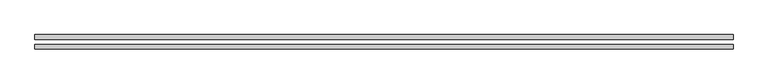
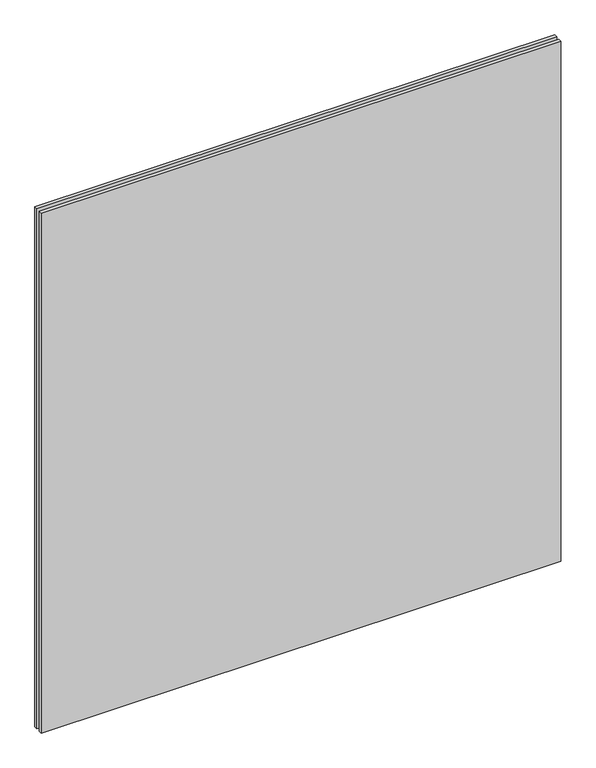
"""IFC4 building model written with IfcOpenShell, lengths in millimetres: plate geometry."""

import ifcopenshell
import ifcopenshell.guid

model = None  # the IFC model being written
_history = None  # IfcOwnerHistory: only IFC2X3 demands one
_inside = {}  # id of a spatial element -> (the spatial element, [elements in it])
_under = {}  # id of a project, library or spatial element -> (it, [spatial elements below it])
_declared = {}  # id of a project -> (the project, [libraries it declares])
_typed = {}  # id of a type object -> (the type object, [elements of that type])
_made_of = {}  # id of a material, layer set ... -> (it, [elements and type objects made of it])


def new_model(schema):
    """Start an empty IFC model of exactly this schema.

    Asked for "IFC4X3", IfcOpenShell would pick the latest addendum, in which some entities
    have other attributes; the version numbers below select the first issue.
    IFC2X3 requires an IfcOwnerHistory on every rooted entity: one is made here for all.
    """
    global model, _history
    if schema == "IFC4X3":
        model = ifcopenshell.file(schema_version=(4, 3, 0, 0))
    else:
        model = ifcopenshell.file(schema=schema)
    _inside.clear()
    _under.clear()
    _declared.clear()
    _typed.clear()
    _made_of.clear()
    _history = None
    if model.schema == "IFC2X3":
        org = make("IfcOrganization", Name="unknown")
        user = make(
            "IfcPersonAndOrganization",
            ThePerson=make("IfcPerson", FamilyName="unknown"),
            TheOrganization=org,
        )
        app = make(
            "IfcApplication",
            ApplicationDeveloper=org,
            Version="unknown",
            ApplicationFullName="unknown",
            ApplicationIdentifier="unknown",
        )
        _history = make(
            "IfcOwnerHistory",
            OwningUser=user,
            OwningApplication=app,
            ChangeAction="ADDED",
            CreationDate=0,
        )
    return model


def make(cls, **values):
    """One entity of the class cls with the attributes given. An attribute that is None is left unset."""
    return model.create_entity(
        cls, **{name: value for name, value in values.items() if value is not None}
    )


def rooted(cls, **values):
    """An entity with a GlobalId (a new one), such as an element, a storey or a relation."""
    return make(cls, GlobalId=ifcopenshell.guid.new(), OwnerHistory=_history, **values)


def si_unit(unit_type, name, prefix=None):
    """IfcSIUnit, for example si_unit("LENGTHUNIT", "METRE", prefix="MILLI")."""
    return make("IfcSIUnit", UnitType=unit_type, Prefix=prefix, Name=name)


def assignment(units):
    """IfcUnitAssignment: the units of a project."""
    return None if units is None else make("IfcUnitAssignment", Units=units)


def point(xyz):
    """IfcCartesianPoint."""
    return None if xyz is None else make("IfcCartesianPoint", Coordinates=xyz)


def direction(xyz):
    """IfcDirection."""
    return None if xyz is None else make("IfcDirection", DirectionRatios=xyz)


def frame(location, z_axis=None, x_axis=None):
    """IfcAxis2Placement3D, a coordinate frame: its origin and axes. An axis left out is left unset."""
    return make(
        "IfcAxis2Placement3D",
        Location=point(location),
        Axis=direction(z_axis),
        RefDirection=direction(x_axis),
    )


def origin():
    """The frame at (0, 0, 0) with its axes left unset."""
    return frame((0.0, 0.0, 0.0))


def origin_with_axes():
    """The frame at (0, 0, 0) with the z axis (0, 0, 1) and the x axis (1, 0, 0) written out."""
    return frame((0.0, 0.0, 0.0), z_axis=(0.0, 0.0, 1.0), x_axis=(1.0, 0.0, 0.0))


def place(relative_to, where):
    """IfcLocalPlacement: puts the frame where relative to a parent placement (None: the world)."""
    return make(
        "IfcLocalPlacement", PlacementRelTo=relative_to, RelativePlacement=where
    )


def context(
    kind, dimensions, precision=None, world=None, true_north=None, identifier=None
):
    """IfcGeometricRepresentationContext, for example the 3D "Model" context."""
    return make(
        "IfcGeometricRepresentationContext",
        ContextIdentifier=identifier,
        ContextType=kind,
        CoordinateSpaceDimension=dimensions,
        Precision=precision,
        WorldCoordinateSystem=world,
        TrueNorth=true_north,
    )


def project(units=None, contexts=None):
    """IfcProject with its units and contexts."""
    return rooted(
        "IfcProject",
        Name="project",
        RepresentationContexts=contexts,
        UnitsInContext=assignment(units),
    )


def spatial(cls, under=None, at=None, **own):
    """A site, building, storey or space (cls), placed at a placement, below another one or the project."""
    s = rooted(cls, ObjectPlacement=at, **own)
    if under is not None:
        _under.setdefault(under.id(), (under, []))[1].append(s)
    return s


def polyline(points):
    """IfcPolyline through the points."""
    return make("IfcPolyline", Points=[point(p) for p in points])


def outline(outer, holes=None, kind="AREA"):
    """IfcArbitraryClosedProfileDef: a profile drawn as a closed curve; with holes, ...WithVoids."""
    if holes is None:
        return make("IfcArbitraryClosedProfileDef", ProfileType=kind, OuterCurve=outer)
    return make(
        "IfcArbitraryProfileDefWithVoids",
        ProfileType=kind,
        OuterCurve=outer,
        InnerCurves=holes,
    )


def extrude(swept, where, along, depth):
    """IfcExtrudedAreaSolid: the profile swept, set in the frame where, extruded along a direction by depth."""
    return make(
        "IfcExtrudedAreaSolid",
        SweptArea=swept,
        Position=where,
        ExtrudedDirection=direction(along),
        Depth=depth,
    )


def shape(context_of_items, identifier, shape_type, items):
    """IfcShapeRepresentation: the items that make up one representation, for example the "Body"."""
    return make(
        "IfcShapeRepresentation",
        ContextOfItems=context_of_items,
        RepresentationIdentifier=identifier,
        RepresentationType=shape_type,
        Items=items,
    )


def source(mapping_origin, context_of_items, identifier, shape_type, items):
    """IfcRepresentationMap: a shape defined once, which mapped items show again and again."""
    return make(
        "IfcRepresentationMap",
        MappingOrigin=mapping_origin,
        MappedRepresentation=shape(context_of_items, identifier, shape_type, items),
    )


def transform(
    local_origin,
    x_axis=None,
    y_axis=None,
    z_axis=None,
    scale=None,
    scale2=None,
    scale3=None,
    uniform=True,
):
    """IfcCartesianTransformationOperator3D, or its non-uniform kind. x_axis, y_axis, z_axis: its Axis1, 2, 3."""
    if uniform:
        return make(
            "IfcCartesianTransformationOperator3D",
            Axis1=direction(x_axis),
            Axis2=direction(y_axis),
            LocalOrigin=point(local_origin),
            Scale=scale,
            Axis3=direction(z_axis),
        )
    return make(
        "IfcCartesianTransformationOperator3DnonUniform",
        Axis1=direction(x_axis),
        Axis2=direction(y_axis),
        LocalOrigin=point(local_origin),
        Scale=scale,
        Axis3=direction(z_axis),
        Scale2=scale2,
        Scale3=scale3,
    )


def mapped(mapping_source, mapping_target):
    """IfcMappedItem: shows the shape of a source again, moved by a transform."""
    return make(
        "IfcMappedItem", MappingSource=mapping_source, MappingTarget=mapping_target
    )


def made_of(thing, what):
    """Note that an element or type object is made of a material, layer set ...; save() writes the relation."""
    if what is not None:
        _made_of.setdefault(what.id(), (what, []))[1].append(thing)
    return thing


def element(
    cls,
    number,
    at=None,
    inside=None,
    cuts=None,
    type_object=None,
    material=None,
    context=None,
    identifier="Body",
    shape_type=None,
    held_by="IfcProductDefinitionShape",
    body=None,
    shapes=None,
    **own,
):
    """One element of the class cls, such as IfcWall. Its Tag is "e" and its number.

    at: its placement. inside: the storey or other place that contains it. cuts: it is an
    opening in that element (IfcRelVoidsElement). A single representation is given by context,
    identifier, shape_type and body (its items); several are given by shapes. held_by: the class
    of the entity that holds the representations. save() writes the other relations.
    """
    e = rooted(cls, Tag="e%d" % number, ObjectPlacement=at, **own)
    if body is not None:
        shapes = [shape(context, identifier, shape_type, body)]
    if shapes is not None:
        e.Representation = make(held_by, Representations=shapes)
    if inside is not None:
        _inside.setdefault(inside.id(), (inside, []))[1].append(e)
    if cuts is not None:
        rooted(
            "IfcRelVoidsElement", RelatingBuildingElement=cuts, RelatedOpeningElement=e
        )
    if type_object is not None:
        _typed.setdefault(type_object.id(), (type_object, []))[1].append(e)
    return made_of(e, material)


def aggregate(whole, parts):
    """IfcRelAggregates: a whole, such as a stair, and the parts it consists of."""
    return rooted("IfcRelAggregates", RelatingObject=whole, RelatedObjects=parts)


def save(model, path):
    """Write the relations noted so far, then the file.

    IfcRelAggregates (storeys below a building ...), IfcRelContainedInSpatialStructure (elements
    in a storey), IfcRelDefinesByType, IfcRelAssociatesMaterial and IfcRelDeclares: one each for
    every whole, place, type object, material and project.
    """
    for whole, parts in _under.values():
        aggregate(whole, parts)
    for where, things in _inside.values():
        rooted(
            "IfcRelContainedInSpatialStructure",
            RelatedElements=things,
            RelatingStructure=where,
        )
    for kind, things in _typed.values():
        rooted("IfcRelDefinesByType", RelatedObjects=things, RelatingType=kind)
    for what, things in _made_of.values():
        rooted("IfcRelAssociatesMaterial", RelatedObjects=things, RelatingMaterial=what)
    for by, libraries in _declared.values():
        rooted("IfcRelDeclares", RelatingContext=by, RelatedDefinitions=libraries)
    model.write(path)


def plate_bb0a7e2a(model_context):
    return source(origin(), model_context, "Body", "SweptSolid", [
        extrude(outline(polyline([(605.0, -40.8), (-605.0, -40.8), (-605.0, -32.8), (605.0, -32.8), (605.0, -40.8)])), origin_with_axes(), (0.0, 0.0, 1.0), 1280.0),
        extrude(outline(polyline([(605.0, -23.8), (-605.0, -23.8), (-605.0, -15.8), (605.0, -15.8), (605.0, -23.8)])), origin_with_axes(), (0.0, 0.0, 1.0), 1280.0),
    ])


if __name__ == "__main__":
    model = new_model("IFC4")
    model_context = context("Model", 3, world=origin())
    ifc_project = project(units=[si_unit("LENGTHUNIT", "METRE", prefix="MILLI")], contexts=[model_context])
    site = spatial("IfcSite", under=ifc_project)
    building = spatial("IfcBuilding", under=site)
    placement = place(None, origin())
    plate_shape = plate_bb0a7e2a(model_context)
    element("IfcPlate", 1, at=placement, inside=building, context=model_context, shape_type="MappedRepresentation", body=[
        mapped(plate_shape, transform((0.0, 0.0, 0.0), x_axis=(1.0, 0.0, 0.0), y_axis=(0.0, 1.0, 0.0), z_axis=(0.0, 0.0, 1.0))),
    ])
    save(model, "model.ifc")
